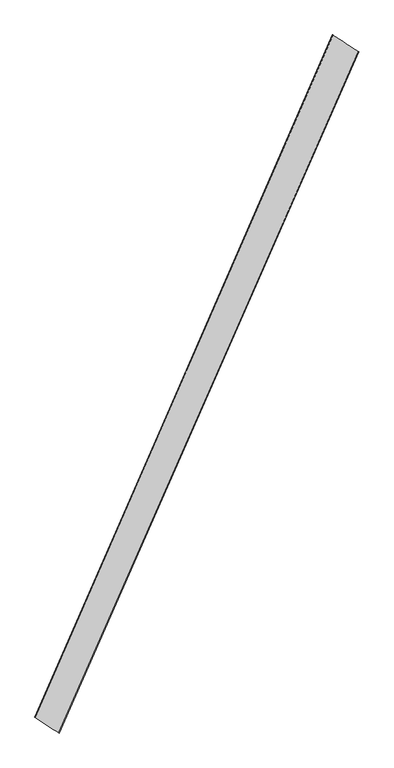
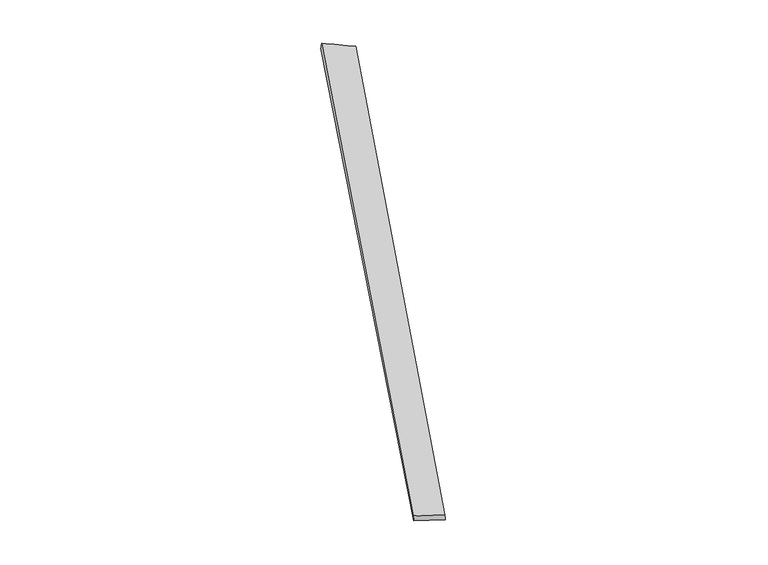
"""IFC4 building model written with IfcOpenShell, lengths in millimetres: proxy geometry."""

from ifc_helpers import new_model, si_unit, frame, origin, place, context, project, spatial, source, transform, mapped, element, save
from ifc_brep_helpers import plane_surface, spline_surface, advanced_brep


def generic_models_40a5febc(model_context):
    return source(origin(), model_context, "Body", "AdvancedBrep", [
        advanced_brep(
        [(-674.5580535, -1708.8804022, 6.8966455), (-672.9073525, -1709.7157255, -23.0462572), (958.6434461, 2001.1222918, -36.409193), (960.2722038, 2000.5122924, -6.4596513), (-802.3517291, -1624.6111408, -36.6714943), (817.4160718, 2092.8529664, -23.3982312), (-805.7553233, -1623.2286153, -6.8972744), (820.041173, 2091.5967251, 6.4602802)],
        [
            (0, 1),
            (1, 2),
            (2, 3),
            (3, 0),
            (1, 4),
            (4, 5),
            (5, 2),
            (4, 6),
            (6, 7),
            (7, 5),
            (6, 0),
            (3, 7),
        ],
        [
            spline_surface(1, 1, [[(-674.5580535, -1708.8804022, 6.8966455), (960.2722038, 2000.5122924, -6.4596513)], [(-672.9073525, -1709.7157255, -23.0462572), (958.6434461, 2001.1222918, -36.409193)]], [2, 2], [2, 2], [0.0, 1.0], [0.0, 1.0]),
            spline_surface(1, 1, [[(-672.9073525, -1709.7157255, -23.0462572), (958.6434461, 2001.1222918, -36.409193)], [(-802.3517291, -1624.6111408, -36.6714943), (817.4160718, 2092.8529664, -23.3982312)]], [2, 2], [2, 2], [0.0, 1.0], [0.0, 1.0]),
            spline_surface(1, 1, [[(-802.3517291, -1624.6111408, -36.6714943), (817.4160718, 2092.8529664, -23.3982312)], [(-805.7553233, -1623.2286153, -6.8972744), (820.041173, 2091.5967251, 6.4602802)]], [2, 2], [2, 2], [0.0, 1.0], [0.0, 1.0]),
            spline_surface(1, 1, [[(-805.7553233, -1623.2286153, -6.8972744), (820.041173, 2091.5967251, 6.4602802)], [(-674.5580535, -1708.8804022, 6.8966455), (960.2722038, 2000.5122924, -6.4596513)]], [2, 2], [2, 2], [0.0, 1.0], [0.0, 1.0]),
            plane_surface(frame((889.0932237, 2046.5210689, -14.9516988), z_axis=(0.5438563750801353, 0.8390854113358314, -0.012486623565807757), x_axis=(-0.054291925509075765, 0.020333315053614742, -0.9983180570957572))),
            spline_surface(1, 1, [[(-805.7553233, -1623.2286153, -6.8972744), (-674.5580535, -1708.8804022, 6.8966455)], [(-802.3517291, -1624.6111408, -36.6714943), (-672.9073525, -1709.7157255, -23.0462572)]], [2, 2], [2, 2], [0.0, 1.0], [0.0, 1.0]),
        ],
        [
            (0, [[1, 2, 3, 4]]),
            (1, [[5, 6, 7, -2]]),
            (2, [[8, 9, 10, -6]]),
            (3, [[11, -4, 12, -9]]),
            (4, [[-3, -7, -10, -12]]),
            (5, [[-11, -8, -5, -1]]),
        ],
    ),
    ])


if __name__ == "__main__":
    model = new_model("IFC4")
    model_context = context("Model", 3, world=origin())
    ifc_project = project(units=[si_unit("LENGTHUNIT", "METRE", prefix="MILLI")], contexts=[model_context])
    site = spatial("IfcSite", under=ifc_project)
    building = spatial("IfcBuilding", under=site)
    placement = place(None, origin())
    generic_models_shape = generic_models_40a5febc(model_context)
    element("IfcBuildingElementProxy", 1, Name="Generic Models", at=placement, inside=building, context=model_context, shape_type="MappedRepresentation", body=[
        mapped(generic_models_shape, transform((0.0, 0.0, 0.0), x_axis=(1.0, 0.0, 0.0), y_axis=(0.0, 1.0, 0.0), z_axis=(0.0, 0.0, 1.0))),
    ])
    save(model, "model.ifc")
